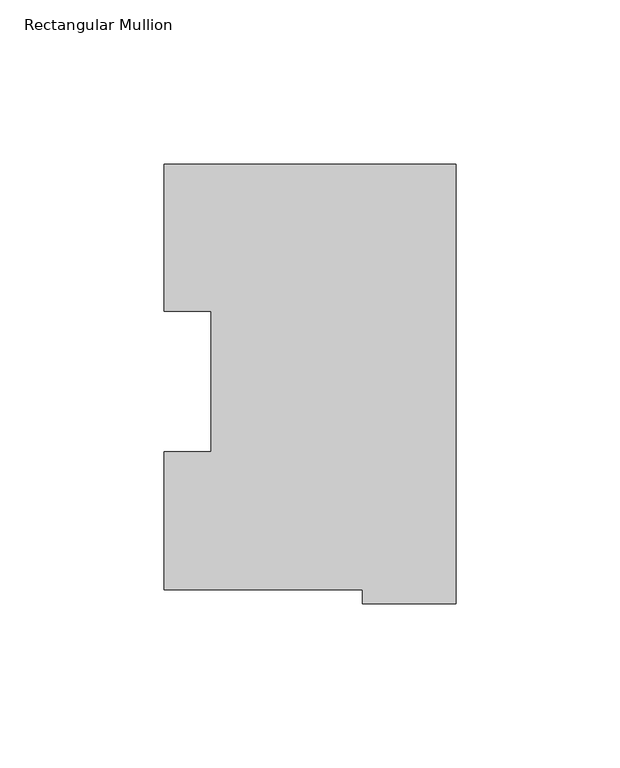
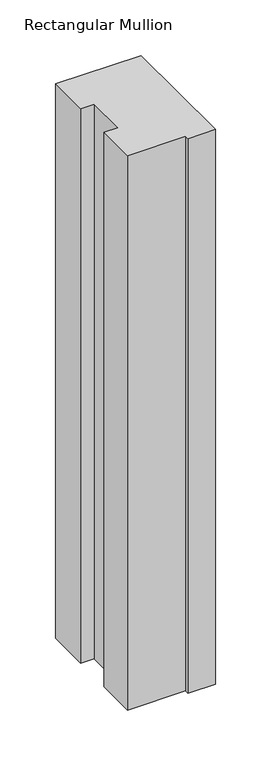
"""IFC4 building model written with IfcOpenShell, lengths in millimetres: member geometry, Rectangular Mullion."""

from ifc_helpers import new_model, si_unit, frame, origin, place, context, project, spatial, polyline, outline, extrude, source, transform, mapped, element, save


def rectangular_mullion_35d1b50c(model_context):
    return source(origin(), model_context, "Body", "SweptSolid", [
        extrude(outline(polyline([(0.0, -3.9735125), (-28.56992, -3.9735125), (-28.56992, 0.2428875), (-89.1408142, 0.2428875), (-89.1408142, 42.2798875), (-74.7522, 42.2798875), (-74.7522, 85.1296875), (-88.99652, 85.1296875), (-88.99652, 130.0368875), (0.0, 130.0368875), (0.0, -3.9735125)])), frame((0.0, 0.0, -609.6), z_axis=(0.0, 0.0, 1.0), x_axis=(1.0, 0.0, 0.0)), (0.0, 0.0, 1.0), 609.6),
    ])


if __name__ == "__main__":
    model = new_model("IFC4")
    model_context = context("Model", 3, world=origin())
    ifc_project = project(units=[si_unit("LENGTHUNIT", "METRE", prefix="MILLI")], contexts=[model_context])
    site = spatial("IfcSite", under=ifc_project)
    building = spatial("IfcBuilding", under=site)
    placement = place(None, origin())
    rectangular_mullion_shape = rectangular_mullion_35d1b50c(model_context)
    element("IfcMember", 1, ObjectType="Rectangular Mullion", at=placement, inside=building, context=model_context, shape_type="MappedRepresentation", body=[
        mapped(rectangular_mullion_shape, transform((0.0, 0.0, 0.0), x_axis=(1.0, 0.0, 0.0), y_axis=(0.0, 1.0, 0.0), z_axis=(0.0, 0.0, 1.0))),
    ])
    save(model, "model.ifc")
